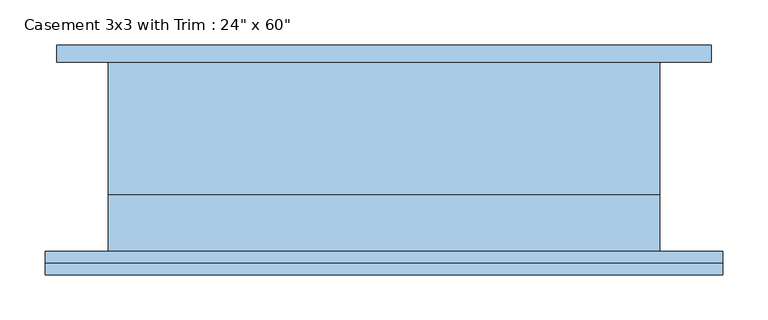
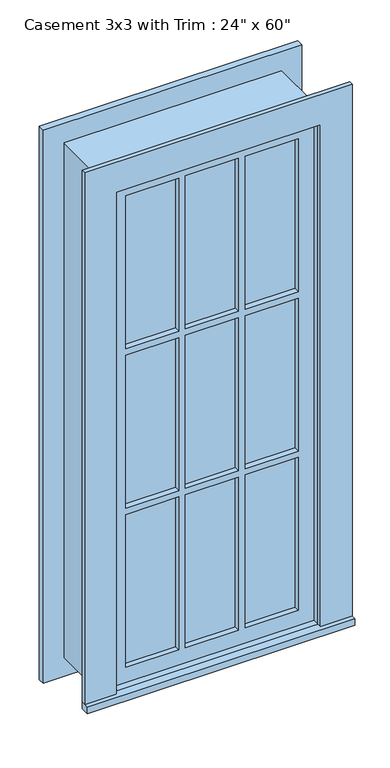
"""IFC4 building model written with IfcOpenShell, lengths in millimetres: window geometry."""

from ifc_helpers import new_model, si_unit, frame, origin, place, context, project, spatial, polyline, outline, extrude, source, transform, mapped, element, save


def window_ec30f7ba(model_context):
    return source(origin(), model_context, "Body", "SweptSolid", [
        extrude(outline(polyline([(-374.65, -130.175), (-374.65, -104.775), (374.65, -104.775), (374.65, -130.175), (-374.65, -130.175)])), frame((0.0, 0.0, 609.6), z_axis=(0.0, 0.0, 1.0), x_axis=(1.0, 0.0, 0.0)), (0.0, 0.0, 1.0), 19.05),
        extrude(outline(polyline([(2114.55, -285.75), (2114.55, 285.75), (628.65, 285.75), (628.65, 374.65), (2203.45, 374.65), (2203.45, -374.65), (628.65, -374.65), (628.65, -285.75), (2114.55, -285.75)])), frame((0.0, -117.475, 0.0), z_axis=(0.0, 1.0, 0.0), x_axis=(0.0, 0.0, 1.0)), (0.0, 0.0, 1.0), 12.7),
        extrude(outline(polyline([(93.1333333, -69.85), (93.1333333, -57.15), (241.3, -57.15), (241.3, -69.85), (93.1333333, -69.85)])), frame((0.0, 0.0, 1617.1333333), z_axis=(0.0, 0.0, 1.0), x_axis=(1.0, 0.0, 0.0)), (0.0, 0.0, 1.0), 452.9666667),
        extrude(outline(polyline([(-74.0833333, -69.85), (-74.0833333, -57.15), (74.0833333, -57.15), (74.0833333, -69.85), (-74.0833333, -69.85)])), frame((0.0, 0.0, 1617.1333333), z_axis=(0.0, 0.0, 1.0), x_axis=(1.0, 0.0, 0.0)), (0.0, 0.0, 1.0), 452.9666667),
        extrude(outline(polyline([(-241.3, -69.85), (-241.3, -57.15), (-93.1333333, -57.15), (-93.1333333, -69.85), (-241.3, -69.85)])), frame((0.0, 0.0, 1617.1333333), z_axis=(0.0, 0.0, 1.0), x_axis=(1.0, 0.0, 0.0)), (0.0, 0.0, 1.0), 452.9666667),
        extrude(outline(polyline([(-241.3, -69.85), (-241.3, -57.15), (-93.1333333, -57.15), (-93.1333333, -69.85), (-241.3, -69.85)])), frame((0.0, 0.0, 1145.1166667), z_axis=(0.0, 0.0, 1.0), x_axis=(1.0, 0.0, 0.0)), (0.0, 0.0, 1.0), 452.9666667),
        extrude(outline(polyline([(-74.0833333, -69.85), (-74.0833333, -57.15), (74.0833333, -57.15), (74.0833333, -69.85), (-74.0833333, -69.85)])), frame((0.0, 0.0, 1145.1166667), z_axis=(0.0, 0.0, 1.0), x_axis=(1.0, 0.0, 0.0)), (0.0, 0.0, 1.0), 452.9666667),
        extrude(outline(polyline([(93.1333333, -69.85), (93.1333333, -57.15), (241.3, -57.15), (241.3, -69.85), (93.1333333, -69.85)])), frame((0.0, 0.0, 1145.1166667), z_axis=(0.0, 0.0, 1.0), x_axis=(1.0, 0.0, 0.0)), (0.0, 0.0, 1.0), 452.9666667),
        extrude(outline(polyline([(93.1333333, -69.85), (93.1333333, -57.15), (241.3, -57.15), (241.3, -69.85), (93.1333333, -69.85)])), frame((0.0, 0.0, 673.1), z_axis=(0.0, 0.0, 1.0), x_axis=(1.0, 0.0, 0.0)), (0.0, 0.0, 1.0), 452.9666667),
        extrude(outline(polyline([(-74.0833333, -69.85), (-74.0833333, -57.15), (74.0833333, -57.15), (74.0833333, -69.85), (-74.0833333, -69.85)])), frame((0.0, 0.0, 673.1), z_axis=(0.0, 0.0, 1.0), x_axis=(1.0, 0.0, 0.0)), (0.0, 0.0, 1.0), 452.9666667),
        extrude(outline(polyline([(-241.3, -69.85), (-241.3, -57.15), (-93.1333333, -57.15), (-93.1333333, -69.85), (-241.3, -69.85)])), frame((0.0, 0.0, 673.1), z_axis=(0.0, 0.0, 1.0), x_axis=(1.0, 0.0, 0.0)), (0.0, 0.0, 1.0), 452.9666667),
        extrude(outline(polyline([(2190.75, 361.95), (2190.75, -361.95), (552.45, -361.95), (552.45, 361.95), (2190.75, 361.95)]), holes=[polyline([(2101.85, 273.05), (641.35, 273.05), (641.35, -273.05), (2101.85, -273.05), (2101.85, 273.05)])]), frame((0.0, 104.775, 0.0), z_axis=(0.0, 1.0, 0.0), x_axis=(0.0, 0.0, 1.0)), (0.0, 0.0, 1.0), 19.05),
        extrude(outline(polyline([(2114.55, -285.75), (628.65, -285.75), (628.65, 285.75), (2114.55, 285.75), (2114.55, -285.75)]), holes=[polyline([(2070.1, -93.1333333), (1617.1333333, -93.1333333), (1617.1333333, -241.3), (2070.1, -241.3), (2070.1, -93.1333333)]), polyline([(1598.0833333, -93.1333333), (1145.1166667, -93.1333333), (1145.1166667, -241.3), (1598.0833333, -241.3), (1598.0833333, -93.1333333)]), polyline([(1126.0666667, -93.1333333), (673.1, -93.1333333), (673.1, -241.3), (1126.0666667, -241.3), (1126.0666667, -93.1333333)]), polyline([(2070.1, 74.0833333), (1617.1333333, 74.0833333), (1617.1333333, -74.0833333), (2070.1, -74.0833333), (2070.1, 74.0833333)]), polyline([(1598.0833333, 74.0833333), (1145.1166667, 74.0833333), (1145.1166667, -74.0833333), (1598.0833333, -74.0833333), (1598.0833333, 74.0833333)]), polyline([(1126.0666667, 74.0833333), (673.1, 74.0833333), (673.1, -74.0833333), (1126.0666667, -74.0833333), (1126.0666667, 74.0833333)]), polyline([(2070.1, 241.3), (1617.1333333, 241.3), (1617.1333333, 93.1333333), (2070.1, 93.1333333), (2070.1, 241.3)]), polyline([(1598.0833333, 241.3), (1145.1166667, 241.3), (1145.1166667, 93.1333333), (1598.0833333, 93.1333333), (1598.0833333, 241.3)]), polyline([(1126.0666667, 241.3), (673.1, 241.3), (673.1, 93.1333333), (1126.0666667, 93.1333333), (1126.0666667, 241.3)])]), frame((0.0, -85.725, 0.0), z_axis=(0.0, 1.0, 0.0), x_axis=(0.0, 0.0, 1.0)), (0.0, 0.0, 1.0), 44.45),
        extrude(outline(polyline([(2133.6, -304.8), (609.6, -304.8), (609.6, 304.8), (2133.6, 304.8), (2133.6, -304.8)]), holes=[polyline([(2101.85, -273.05), (2101.85, 273.05), (641.35, 273.05), (641.35, -273.05), (2101.85, -273.05)])]), frame((0.0, -41.275, 0.0), z_axis=(0.0, 1.0, 0.0), x_axis=(0.0, 0.0, 1.0)), (0.0, 0.0, 1.0), 146.05),
        extrude(outline(polyline([(2133.6, 304.8), (2133.6, -304.8), (609.6, -304.8), (609.6, 304.8), (2133.6, 304.8)]), holes=[polyline([(2114.55, 285.75), (628.65, 285.75), (628.65, -285.75), (2114.55, -285.75), (2114.55, 285.75)])]), frame((0.0, -104.775, 0.0), z_axis=(0.0, 1.0, 0.0), x_axis=(0.0, 0.0, 1.0)), (0.0, 0.0, 1.0), 63.5),
    ])


if __name__ == "__main__":
    model = new_model("IFC4")
    model_context = context("Model", 3, world=origin())
    ifc_project = project(units=[si_unit("LENGTHUNIT", "METRE", prefix="MILLI")], contexts=[model_context])
    site = spatial("IfcSite", under=ifc_project)
    building = spatial("IfcBuilding", under=site)
    placement = place(None, origin())
    window_shape = window_ec30f7ba(model_context)
    element("IfcWindow", 1, ObjectType="Casement 3x3 with Trim : 24\" x 60\"", at=placement, inside=building, context=model_context, shape_type="MappedRepresentation", body=[
        mapped(window_shape, transform((0.0, 0.0, 0.0), x_axis=(1.0, 0.0, 0.0), y_axis=(0.0, 1.0, 0.0), z_axis=(0.0, 0.0, 1.0))),
    ])
    save(model, "model.ifc")
